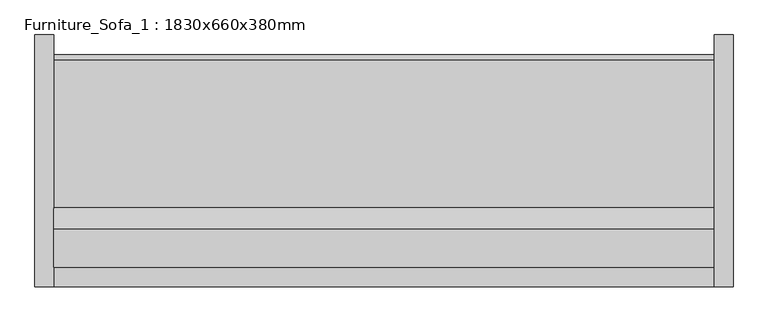
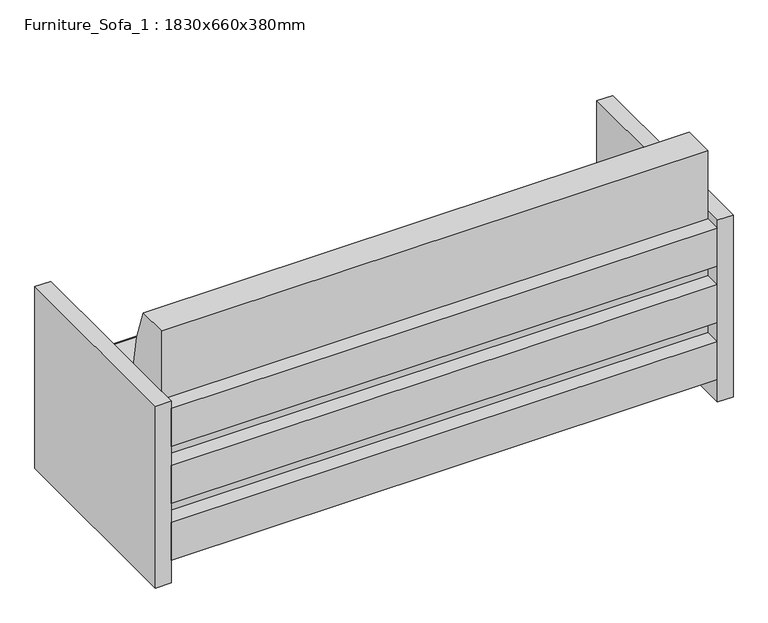
"""IFC4 building model written with IfcOpenShell, lengths in millimetres: furniture geometry, Furniture_Sofa_1 : 1830x660x380mm."""

from ifc_helpers import new_model, si_unit, point, frame, frame_2d, origin, origin_with_axes, place, context, project, spatial, polyline, circle_curve, trimmed, segment, composite_curve, outline, extrude, source, transform, mapped, element, save


def furniture_sofa_1_1830x660x380mm_a08eb6b5(model_context):
    return source(origin(), model_context, "Body", "SweptSolid", [
        extrude(outline(polyline([(-794.6295082, -476.3540984), (-844.6295082, -476.3540984), (-844.6295082, 184.0459016), (-794.6295082, 184.0459016), (-794.6295082, -476.3540984)])), origin_with_axes(), (0.0, 0.0, 1.0), 609.6),
        extrude(outline(polyline([(985.3704918, -476.3540984), (935.3704918, -476.3540984), (935.3704918, 184.0459016), (985.3704918, 184.0459016), (985.3704918, -476.3540984)])), origin_with_axes(), (0.0, 0.0, 1.0), 609.6),
        extrude(outline(composite_curve([segment(polyline([(-286.1764935, 381.0), (119.3862837, 381.0)]), True, "CONTINUOUS"), segment(trimmed(circle_curve(frame_2d((119.3862837, 368.3)), 12.7), [point((119.3862837, 381.0))], [point((132.0379563, 367.1931221))], False, "CARTESIAN"), True, "CONTINUOUS"), segment(polyline([(132.0379563, 367.1931221), (111.108343, 127.9665467), (-425.5540984, 127.9665467), (-425.5540984, 812.8), (-323.9540984, 812.8)]), True, "CONTINUOUS"), segment(trimmed(circle_curve(frame_2d((-926.517198, 542.5300036)), 660.4), [point((-323.9540984, 812.8))], [point((-286.1764935, 381.0))], False, "CARTESIAN"), True, "CONTINUOUS")], self_intersect=False)), frame((-794.6295082, 0.0, 0.0), z_axis=(1.0, 0.0, 0.0), x_axis=(0.0, 1.0, 0.0)), (0.0, 0.0, 1.0), 1729.2),
        extrude(outline(polyline([(-794.6295082, -425.5540984), (934.5704918, -425.5540984), (934.5704918, -476.3540984), (-794.6295082, -476.3540984), (-794.6295082, -425.5540984)])), frame((0.0, 0.0, 457.2), z_axis=(0.0, 0.0, 1.0), x_axis=(1.0, 0.0, 0.0)), (0.0, 0.0, 1.0), 127.0),
        extrude(outline(polyline([(-794.6295082, -425.5540984), (934.5704918, -425.5540984), (934.5704918, -476.3540984), (-794.6295082, -476.3540984), (-794.6295082, -425.5540984)])), frame((0.0, 0.0, 266.7), z_axis=(0.0, 0.0, 1.0), x_axis=(1.0, 0.0, 0.0)), (0.0, 0.0, 1.0), 127.0),
        extrude(outline(polyline([(-794.6295082, -425.5540984), (934.5704918, -425.5540984), (934.5704918, -476.3540984), (-794.6295082, -476.3540984), (-794.6295082, -425.5540984)])), frame((0.0, 0.0, 76.2), z_axis=(0.0, 0.0, 1.0), x_axis=(1.0, 0.0, 0.0)), (0.0, 0.0, 1.0), 127.0),
    ])


if __name__ == "__main__":
    model = new_model("IFC4")
    model_context = context("Model", 3, world=origin())
    ifc_project = project(units=[si_unit("LENGTHUNIT", "METRE", prefix="MILLI")], contexts=[model_context])
    site = spatial("IfcSite", under=ifc_project)
    building = spatial("IfcBuilding", under=site)
    placement = place(None, origin())
    furniture_sofa_1_1830x660x380mm_shape = furniture_sofa_1_1830x660x380mm_a08eb6b5(model_context)
    element("IfcFurniture", 1, ObjectType="Furniture_Sofa_1 : 1830x660x380mm", at=placement, inside=building, context=model_context, shape_type="MappedRepresentation", body=[
        mapped(furniture_sofa_1_1830x660x380mm_shape, transform((0.0, 0.0, 0.0), x_axis=(1.0, 0.0, 0.0), y_axis=(0.0, 1.0, 0.0), z_axis=(0.0, 0.0, 1.0))),
    ])
    save(model, "model.ifc")
